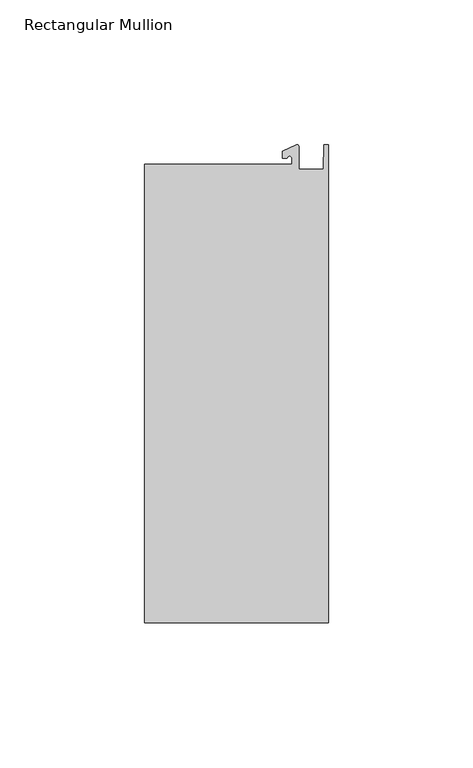
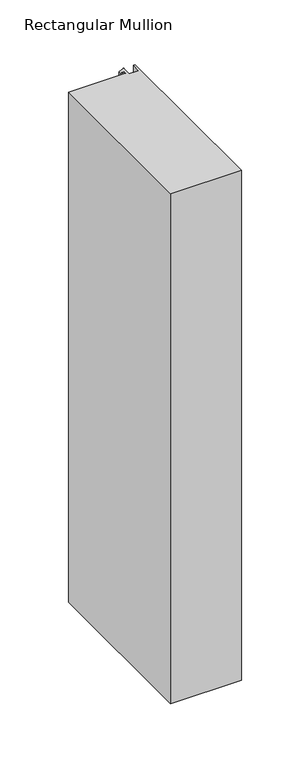
"""IFC4 building model written with IfcOpenShell, lengths in millimetres: member geometry, Rectangular Mullion."""

from ifc_helpers import new_model, si_unit, point, frame, frame_2d, origin, place, context, project, spatial, polyline, circle_curve, trimmed, segment, composite_curve, outline, extrude, source, transform, mapped, element, save


def rectangular_mullion_529b36c6(model_context):
    return source(origin(), model_context, "Body", "SweptSolid", [
        extrude(outline(composite_curve([segment(polyline([(-12.6173814, 25.5984375), (-12.6173814, 27.6780632)]), True, "CONTINUOUS"), segment(trimmed(circle_curve(frame_2d((-13.4111314, 27.6780632)), 0.79375), [point((-12.6173814, 27.6780632))], [point((-14.2048814, 27.6780632))], True, "CARTESIAN"), True, "CONTINUOUS"), segment(polyline([(-14.2048814, 27.6780632), (-15.7923814, 27.6780632), (-15.7923814, 30.0402625), (-10.9524715, 32.2971496)]), True, "CONTINUOUS"), segment(trimmed(circle_curve(frame_2d((-10.7377814, 31.8367452)), 0.508), [point((-10.9524715, 32.2971496))], [point((-10.2297814, 31.8367452))], False, "CARTESIAN"), True, "CONTINUOUS"), segment(polyline([(-10.2297814, 31.8367452), (-10.2297814, 23.9227662), (-1.7144124, 23.9227662), (-1.5658966, 32.288874), (0.0, 32.288874), (0.0, -132.822512), (-63.5, -132.822512), (-63.5, 25.5984375), (-12.6173814, 25.5984375)]), True, "CONTINUOUS")], self_intersect=False)), frame((0.0, 0.0, -482.6), z_axis=(0.0, 0.0, 1.0), x_axis=(1.0, 0.0, 0.0)), (0.0, 0.0, 1.0), 482.6),
    ])


if __name__ == "__main__":
    model = new_model("IFC4")
    model_context = context("Model", 3, world=origin())
    ifc_project = project(units=[si_unit("LENGTHUNIT", "METRE", prefix="MILLI")], contexts=[model_context])
    site = spatial("IfcSite", under=ifc_project)
    building = spatial("IfcBuilding", under=site)
    placement = place(None, origin())
    rectangular_mullion_shape = rectangular_mullion_529b36c6(model_context)
    element("IfcMember", 1, ObjectType="Rectangular Mullion", at=placement, inside=building, context=model_context, shape_type="MappedRepresentation", body=[
        mapped(rectangular_mullion_shape, transform((0.0, 0.0, 0.0), x_axis=(1.0, 0.0, 0.0), y_axis=(0.0, 1.0, 0.0), z_axis=(0.0, 0.0, 1.0))),
    ])
    save(model, "model.ifc")
